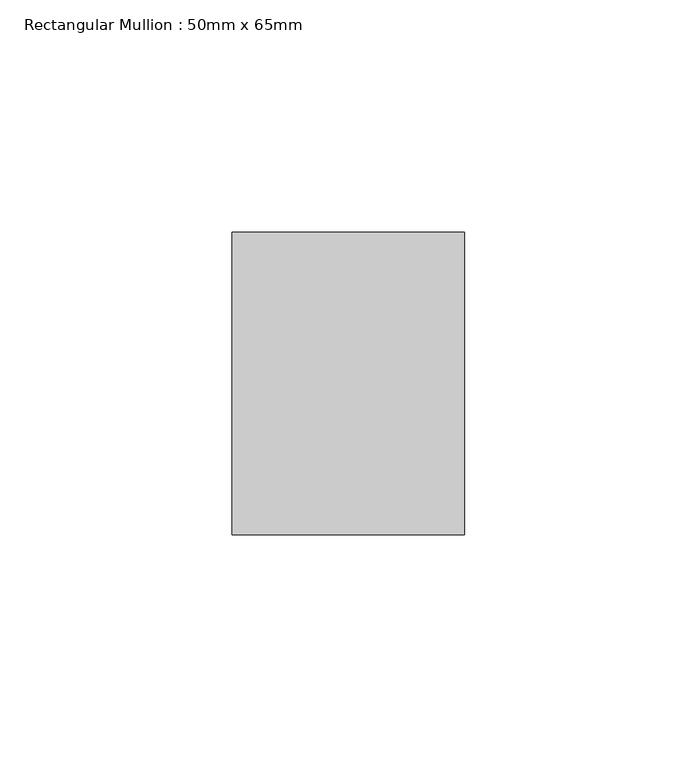
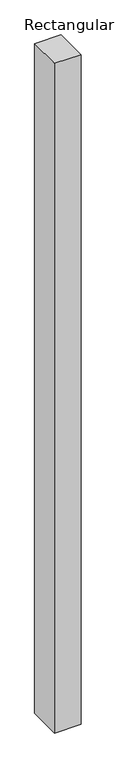
"""IFC4 building model written with IfcOpenShell, lengths in millimetres: member geometry, Rectangular Mullion : 50mm x 65mm."""

import ifcopenshell
import ifcopenshell.guid

model = None  # the IFC model being written
_history = None  # IfcOwnerHistory: only IFC2X3 demands one
_inside = {}  # id of a spatial element -> (the spatial element, [elements in it])
_under = {}  # id of a project, library or spatial element -> (it, [spatial elements below it])
_declared = {}  # id of a project -> (the project, [libraries it declares])
_typed = {}  # id of a type object -> (the type object, [elements of that type])
_made_of = {}  # id of a material, layer set ... -> (it, [elements and type objects made of it])


def new_model(schema):
    """Start an empty IFC model of exactly this schema.

    Asked for "IFC4X3", IfcOpenShell would pick the latest addendum, in which some entities
    have other attributes; the version numbers below select the first issue.
    IFC2X3 requires an IfcOwnerHistory on every rooted entity: one is made here for all.
    """
    global model, _history
    if schema == "IFC4X3":
        model = ifcopenshell.file(schema_version=(4, 3, 0, 0))
    else:
        model = ifcopenshell.file(schema=schema)
    _inside.clear()
    _under.clear()
    _declared.clear()
    _typed.clear()
    _made_of.clear()
    _history = None
    if model.schema == "IFC2X3":
        org = make("IfcOrganization", Name="unknown")
        user = make(
            "IfcPersonAndOrganization",
            ThePerson=make("IfcPerson", FamilyName="unknown"),
            TheOrganization=org,
        )
        app = make(
            "IfcApplication",
            ApplicationDeveloper=org,
            Version="unknown",
            ApplicationFullName="unknown",
            ApplicationIdentifier="unknown",
        )
        _history = make(
            "IfcOwnerHistory",
            OwningUser=user,
            OwningApplication=app,
            ChangeAction="ADDED",
            CreationDate=0,
        )
    return model


def make(cls, **values):
    """One entity of the class cls with the attributes given. An attribute that is None is left unset."""
    return model.create_entity(
        cls, **{name: value for name, value in values.items() if value is not None}
    )


def rooted(cls, **values):
    """An entity with a GlobalId (a new one), such as an element, a storey or a relation."""
    return make(cls, GlobalId=ifcopenshell.guid.new(), OwnerHistory=_history, **values)


def si_unit(unit_type, name, prefix=None):
    """IfcSIUnit, for example si_unit("LENGTHUNIT", "METRE", prefix="MILLI")."""
    return make("IfcSIUnit", UnitType=unit_type, Prefix=prefix, Name=name)


def assignment(units):
    """IfcUnitAssignment: the units of a project."""
    return None if units is None else make("IfcUnitAssignment", Units=units)


def point(xyz):
    """IfcCartesianPoint."""
    return None if xyz is None else make("IfcCartesianPoint", Coordinates=xyz)


def direction(xyz):
    """IfcDirection."""
    return None if xyz is None else make("IfcDirection", DirectionRatios=xyz)


def frame(location, z_axis=None, x_axis=None):
    """IfcAxis2Placement3D, a coordinate frame: its origin and axes. An axis left out is left unset."""
    return make(
        "IfcAxis2Placement3D",
        Location=point(location),
        Axis=direction(z_axis),
        RefDirection=direction(x_axis),
    )


def origin():
    """The frame at (0, 0, 0) with its axes left unset."""
    return frame((0.0, 0.0, 0.0))


def place(relative_to, where):
    """IfcLocalPlacement: puts the frame where relative to a parent placement (None: the world)."""
    return make(
        "IfcLocalPlacement", PlacementRelTo=relative_to, RelativePlacement=where
    )


def context(
    kind, dimensions, precision=None, world=None, true_north=None, identifier=None
):
    """IfcGeometricRepresentationContext, for example the 3D "Model" context."""
    return make(
        "IfcGeometricRepresentationContext",
        ContextIdentifier=identifier,
        ContextType=kind,
        CoordinateSpaceDimension=dimensions,
        Precision=precision,
        WorldCoordinateSystem=world,
        TrueNorth=true_north,
    )


def project(units=None, contexts=None):
    """IfcProject with its units and contexts."""
    return rooted(
        "IfcProject",
        Name="project",
        RepresentationContexts=contexts,
        UnitsInContext=assignment(units),
    )


def spatial(cls, under=None, at=None, **own):
    """A site, building, storey or space (cls), placed at a placement, below another one or the project."""
    s = rooted(cls, ObjectPlacement=at, **own)
    if under is not None:
        _under.setdefault(under.id(), (under, []))[1].append(s)
    return s


def polyline(points):
    """IfcPolyline through the points."""
    return make("IfcPolyline", Points=[point(p) for p in points])


def outline(outer, holes=None, kind="AREA"):
    """IfcArbitraryClosedProfileDef: a profile drawn as a closed curve; with holes, ...WithVoids."""
    if holes is None:
        return make("IfcArbitraryClosedProfileDef", ProfileType=kind, OuterCurve=outer)
    return make(
        "IfcArbitraryProfileDefWithVoids",
        ProfileType=kind,
        OuterCurve=outer,
        InnerCurves=holes,
    )


def extrude(swept, where, along, depth):
    """IfcExtrudedAreaSolid: the profile swept, set in the frame where, extruded along a direction by depth."""
    return make(
        "IfcExtrudedAreaSolid",
        SweptArea=swept,
        Position=where,
        ExtrudedDirection=direction(along),
        Depth=depth,
    )


def shape(context_of_items, identifier, shape_type, items):
    """IfcShapeRepresentation: the items that make up one representation, for example the "Body"."""
    return make(
        "IfcShapeRepresentation",
        ContextOfItems=context_of_items,
        RepresentationIdentifier=identifier,
        RepresentationType=shape_type,
        Items=items,
    )


def source(mapping_origin, context_of_items, identifier, shape_type, items):
    """IfcRepresentationMap: a shape defined once, which mapped items show again and again."""
    return make(
        "IfcRepresentationMap",
        MappingOrigin=mapping_origin,
        MappedRepresentation=shape(context_of_items, identifier, shape_type, items),
    )


def transform(
    local_origin,
    x_axis=None,
    y_axis=None,
    z_axis=None,
    scale=None,
    scale2=None,
    scale3=None,
    uniform=True,
):
    """IfcCartesianTransformationOperator3D, or its non-uniform kind. x_axis, y_axis, z_axis: its Axis1, 2, 3."""
    if uniform:
        return make(
            "IfcCartesianTransformationOperator3D",
            Axis1=direction(x_axis),
            Axis2=direction(y_axis),
            LocalOrigin=point(local_origin),
            Scale=scale,
            Axis3=direction(z_axis),
        )
    return make(
        "IfcCartesianTransformationOperator3DnonUniform",
        Axis1=direction(x_axis),
        Axis2=direction(y_axis),
        LocalOrigin=point(local_origin),
        Scale=scale,
        Axis3=direction(z_axis),
        Scale2=scale2,
        Scale3=scale3,
    )


def mapped(mapping_source, mapping_target):
    """IfcMappedItem: shows the shape of a source again, moved by a transform."""
    return make(
        "IfcMappedItem", MappingSource=mapping_source, MappingTarget=mapping_target
    )


def made_of(thing, what):
    """Note that an element or type object is made of a material, layer set ...; save() writes the relation."""
    if what is not None:
        _made_of.setdefault(what.id(), (what, []))[1].append(thing)
    return thing


def element(
    cls,
    number,
    at=None,
    inside=None,
    cuts=None,
    type_object=None,
    material=None,
    context=None,
    identifier="Body",
    shape_type=None,
    held_by="IfcProductDefinitionShape",
    body=None,
    shapes=None,
    **own,
):
    """One element of the class cls, such as IfcWall. Its Tag is "e" and its number.

    at: its placement. inside: the storey or other place that contains it. cuts: it is an
    opening in that element (IfcRelVoidsElement). A single representation is given by context,
    identifier, shape_type and body (its items); several are given by shapes. held_by: the class
    of the entity that holds the representations. save() writes the other relations.
    """
    e = rooted(cls, Tag="e%d" % number, ObjectPlacement=at, **own)
    if body is not None:
        shapes = [shape(context, identifier, shape_type, body)]
    if shapes is not None:
        e.Representation = make(held_by, Representations=shapes)
    if inside is not None:
        _inside.setdefault(inside.id(), (inside, []))[1].append(e)
    if cuts is not None:
        rooted(
            "IfcRelVoidsElement", RelatingBuildingElement=cuts, RelatedOpeningElement=e
        )
    if type_object is not None:
        _typed.setdefault(type_object.id(), (type_object, []))[1].append(e)
    return made_of(e, material)


def aggregate(whole, parts):
    """IfcRelAggregates: a whole, such as a stair, and the parts it consists of."""
    return rooted("IfcRelAggregates", RelatingObject=whole, RelatedObjects=parts)


def save(model, path):
    """Write the relations noted so far, then the file.

    IfcRelAggregates (storeys below a building ...), IfcRelContainedInSpatialStructure (elements
    in a storey), IfcRelDefinesByType, IfcRelAssociatesMaterial and IfcRelDeclares: one each for
    every whole, place, type object, material and project.
    """
    for whole, parts in _under.values():
        aggregate(whole, parts)
    for where, things in _inside.values():
        rooted(
            "IfcRelContainedInSpatialStructure",
            RelatedElements=things,
            RelatingStructure=where,
        )
    for kind, things in _typed.values():
        rooted("IfcRelDefinesByType", RelatedObjects=things, RelatingType=kind)
    for what, things in _made_of.values():
        rooted("IfcRelAssociatesMaterial", RelatedObjects=things, RelatingMaterial=what)
    for by, libraries in _declared.values():
        rooted("IfcRelDeclares", RelatingContext=by, RelatedDefinitions=libraries)
    model.write(path)


def rectangular_mullion_50mm_x_65mm_cd85b460(model_context):
    return source(origin(), model_context, "Body", "SweptSolid", [
        extrude(outline(polyline([(25.0, 32.5), (25.0, -32.5), (-25.0, -32.5), (-25.0, 32.5), (25.0, 32.5)])), frame((0.0, 0.0, -1337.4795112), z_axis=(0.0, 0.0, 1.0), x_axis=(1.0, 0.0, 0.0)), (0.0, 0.0, 1.0), 1337.4795112),
    ])


if __name__ == "__main__":
    model = new_model("IFC4")
    model_context = context("Model", 3, world=origin())
    ifc_project = project(units=[si_unit("LENGTHUNIT", "METRE", prefix="MILLI")], contexts=[model_context])
    site = spatial("IfcSite", under=ifc_project)
    building = spatial("IfcBuilding", under=site)
    placement = place(None, origin())
    rectangular_mullion_50mm_x_65mm_shape = rectangular_mullion_50mm_x_65mm_cd85b460(model_context)
    element("IfcMember", 1, ObjectType="Rectangular Mullion : 50mm x 65mm", at=placement, inside=building, context=model_context, shape_type="MappedRepresentation", body=[
        mapped(rectangular_mullion_50mm_x_65mm_shape, transform((0.0, 0.0, 0.0), x_axis=(1.0, 0.0, 0.0), y_axis=(0.0, 1.0, 0.0), z_axis=(0.0, 0.0, 1.0))),
    ])
    save(model, "model.ifc")
